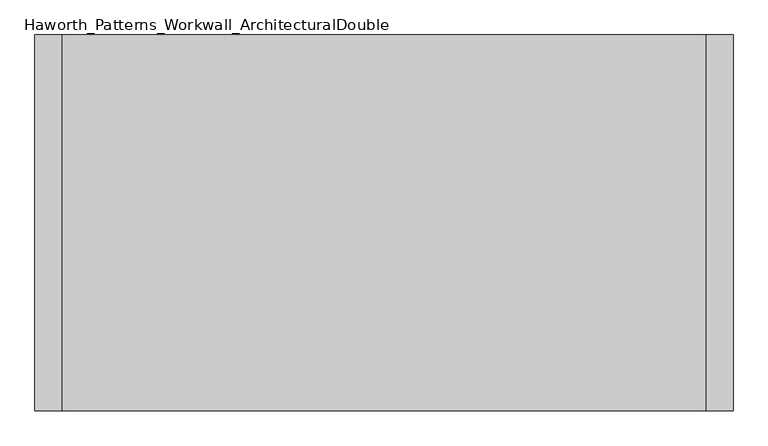
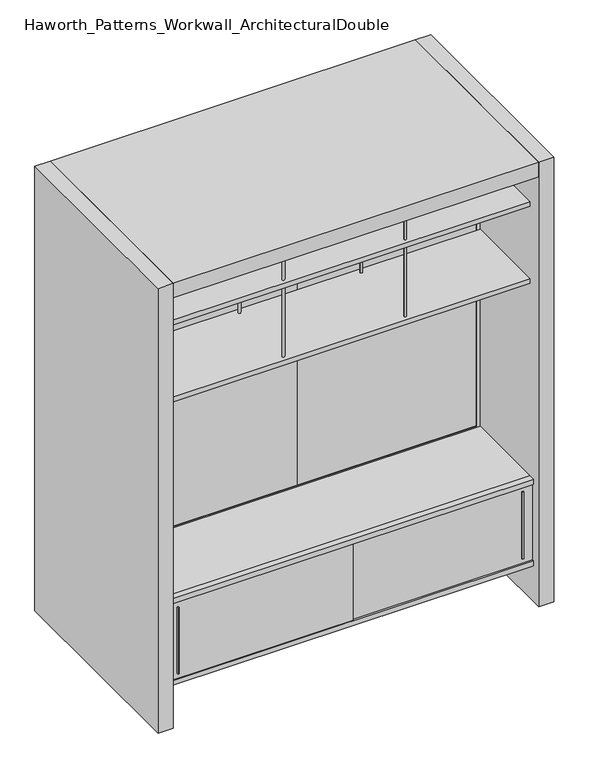
"""IFC4 building model written with IfcOpenShell, lengths in millimetres: furniture geometry, Haworth_Patterns_Workwall_ArchitecturalDouble."""

from ifc_helpers import new_model, si_unit, point, frame, frame_2d, origin, origin_with_axes, place, context, project, spatial, polyline, circle_curve, trimmed, segment, composite_curve, outline, extrude, source, transform, mapped, element, save


def haworth_patterns_workwall_architecturaldouble_77ef0d55(model_context):
    return source(origin(), model_context, "Body", "SweptSolid", [
        extrude(outline(polyline([(-609.6, 333.375), (-1524.0, 333.375), (-1524.0, 352.425), (-609.6, 352.425), (-609.6, 333.375)])), frame((0.0, 0.0, 635.0), z_axis=(0.0, 0.0, 1.0), x_axis=(1.0, 0.0, 0.0)), (0.0, 0.0, 1.0), 1638.3),
        extrude(outline(polyline([(304.8, 333.375), (-609.6, 333.375), (-609.6, 352.425), (304.8, 352.425), (304.8, 333.375)])), frame((0.0, 0.0, 635.0), z_axis=(0.0, 0.0, 1.0), x_axis=(1.0, 0.0, 0.0)), (0.0, 0.0, 1.0), 1638.3),
        extrude(outline(composite_curve([segment(trimmed(circle_curve(frame_2d((-304.8, -76.2)), 6.35), [point((-311.15, -76.2))], [point((-298.45, -76.2))], False, "CARTESIAN"), True, "CONTINUOUS"), segment(trimmed(circle_curve(frame_2d((-304.8, -76.2)), 6.35), [point((-298.45, -76.2))], [point((-311.15, -76.2))], False, "CARTESIAN"), True, "CONTINUOUS")], self_intersect=False)), frame((0.0, 0.0, 1689.1), z_axis=(0.0, 0.0, 1.0), x_axis=(1.0, 0.0, 0.0)), (0.0, 0.0, 1.0), 381.0),
        extrude(outline(composite_curve([segment(trimmed(circle_curve(frame_2d((-304.8, 304.8)), 6.35), [point((-311.15, 304.8))], [point((-298.45, 304.8))], False, "CARTESIAN"), True, "CONTINUOUS"), segment(trimmed(circle_curve(frame_2d((-304.8, 304.8)), 6.35), [point((-298.45, 304.8))], [point((-311.15, 304.8))], False, "CARTESIAN"), True, "CONTINUOUS")], self_intersect=False)), frame((0.0, 0.0, 1689.1), z_axis=(0.0, 0.0, 1.0), x_axis=(1.0, 0.0, 0.0)), (0.0, 0.0, 1.0), 381.0),
        extrude(outline(composite_curve([segment(trimmed(circle_curve(frame_2d((-914.4, -76.2)), 6.35), [point((-920.75, -76.2))], [point((-908.05, -76.2))], False, "CARTESIAN"), True, "CONTINUOUS"), segment(trimmed(circle_curve(frame_2d((-914.4, -76.2)), 6.35), [point((-908.05, -76.2))], [point((-920.75, -76.2))], False, "CARTESIAN"), True, "CONTINUOUS")], self_intersect=False)), frame((0.0, 0.0, 1689.1), z_axis=(0.0, 0.0, 1.0), x_axis=(1.0, 0.0, 0.0)), (0.0, 0.0, 1.0), 381.0),
        extrude(outline(composite_curve([segment(trimmed(circle_curve(frame_2d((-914.4, 304.8)), 6.35), [point((-920.75, 304.8))], [point((-908.05, 304.8))], False, "CARTESIAN"), True, "CONTINUOUS"), segment(trimmed(circle_curve(frame_2d((-914.4, 304.8)), 6.35), [point((-908.05, 304.8))], [point((-920.75, 304.8))], False, "CARTESIAN"), True, "CONTINUOUS")], self_intersect=False)), frame((0.0, 0.0, 1689.1), z_axis=(0.0, 0.0, 1.0), x_axis=(1.0, 0.0, 0.0)), (0.0, 0.0, 1.0), 381.0),
        extrude(outline(polyline([(304.8, 330.2), (304.8, -101.6), (-1524.0, -101.6), (-1524.0, 330.2), (304.8, 330.2)])), frame((0.0, 0.0, 1663.7), z_axis=(0.0, 0.0, 1.0), x_axis=(1.0, 0.0, 0.0)), (0.0, 0.0, 1.0), 25.4),
        extrude(outline(polyline([(257.1750004, -130.1749879), (250.8249996, -130.1749879), (249.2375011, -117.475), (258.7624989, -117.475), (257.1750004, -130.1749879)])), frame((0.0, 0.0, 242.8875), z_axis=(0.0, 0.0, 1.0), x_axis=(1.0, 0.0, 0.0)), (0.0, 0.0, 1.0), 352.425),
        extrude(outline(polyline([(-1470.0249996, -136.5249879), (-1476.3750004, -136.5249879), (-1477.9624989, -123.825), (-1468.4375011, -123.825), (-1470.0249996, -136.5249879)])), frame((0.0, 0.0, 242.8875), z_axis=(0.0, 0.0, 1.0), x_axis=(1.0, 0.0, 0.0)), (0.0, 0.0, 1.0), 352.425),
        extrude(outline(polyline([(304.8, -101.6), (304.8, -133.35), (-1524.0, -133.35), (-1524.0, -101.6), (304.8, -101.6)])), frame((0.0, 0.0, 190.5), z_axis=(0.0, 0.0, 1.0), x_axis=(1.0, 0.0, 0.0)), (0.0, 0.0, 1.0), 25.4),
        extrude(outline(polyline([(304.8, -101.6), (304.8, -133.35), (-1524.0, -133.35), (-1524.0, -101.6), (304.8, -101.6)])), frame((0.0, 0.0, 622.3), z_axis=(0.0, 0.0, 1.0), x_axis=(1.0, 0.0, 0.0)), (0.0, 0.0, 1.0), 25.4),
        extrude(outline(polyline([(-1524.0, -123.825), (-596.9, -123.825), (-596.9, -130.175), (-1524.0, -130.175), (-1524.0, -123.825)])), frame((0.0, 0.0, 215.9), z_axis=(0.0, 0.0, 1.0), x_axis=(1.0, 0.0, 0.0)), (0.0, 0.0, 1.0), 406.4),
        extrude(outline(polyline([(-622.3, -117.475), (304.8, -117.475), (304.8, -123.825), (-622.3, -123.825), (-622.3, -117.475)])), frame((0.0, 0.0, 215.9), z_axis=(0.0, 0.0, 1.0), x_axis=(1.0, 0.0, 0.0)), (0.0, 0.0, 1.0), 406.4),
        extrude(outline(polyline([(-295.275, -101.6), (-314.325, -101.6), (-314.325, 330.2), (-295.275, 330.2), (-295.275, -101.6)])), frame((0.0, 0.0, 215.9), z_axis=(0.0, 0.0, 1.0), x_axis=(1.0, 0.0, 0.0)), (0.0, 0.0, 1.0), 406.4),
        extrude(outline(polyline([(-904.875, -101.6), (-923.925, -101.6), (-923.925, 330.2), (-904.875, 330.2), (-904.875, -101.6)])), frame((0.0, 0.0, 215.9), z_axis=(0.0, 0.0, 1.0), x_axis=(1.0, 0.0, 0.0)), (0.0, 0.0, 1.0), 406.4),
        extrude(outline(polyline([(304.8, 330.2), (304.8, -101.6), (-1524.0, -101.6), (-1524.0, 330.2), (304.8, 330.2)])), frame((0.0, 0.0, 622.3), z_axis=(0.0, 0.0, 1.0), x_axis=(1.0, 0.0, 0.0)), (0.0, 0.0, 1.0), 25.4),
        extrude(outline(polyline([(-101.6, 215.9), (330.2, 215.9), (330.2, 190.5), (123.825, 190.5), (123.825, 0.0), (104.775, 0.0), (104.775, 190.5), (-101.6, 190.5), (-101.6, 215.9)])), frame((-1524.0, 0.0, 0.0), z_axis=(1.0, 0.0, 0.0), x_axis=(0.0, 1.0, 0.0)), (0.0, 0.0, 1.0), 1828.8),
        extrude(outline(composite_curve([segment(trimmed(circle_curve(frame_2d((-304.8, -76.2)), 6.35), [point((-311.15, -76.2))], [point((-298.45, -76.2))], False, "CARTESIAN"), True, "CONTINUOUS"), segment(trimmed(circle_curve(frame_2d((-304.8, -76.2)), 6.35), [point((-298.45, -76.2))], [point((-311.15, -76.2))], False, "CARTESIAN"), True, "CONTINUOUS")], self_intersect=False)), frame((0.0, 0.0, 2095.5), z_axis=(0.0, 0.0, 1.0), x_axis=(1.0, 0.0, 0.0)), (0.0, 0.0, 1.0), 177.8),
        extrude(outline(composite_curve([segment(trimmed(circle_curve(frame_2d((-304.8, 304.8)), 6.35), [point((-311.15, 304.8))], [point((-298.45, 304.8))], False, "CARTESIAN"), True, "CONTINUOUS"), segment(trimmed(circle_curve(frame_2d((-304.8, 304.8)), 6.35), [point((-298.45, 304.8))], [point((-311.15, 304.8))], False, "CARTESIAN"), True, "CONTINUOUS")], self_intersect=False)), frame((0.0, 0.0, 2095.5), z_axis=(0.0, 0.0, 1.0), x_axis=(1.0, 0.0, 0.0)), (0.0, 0.0, 1.0), 177.8),
        extrude(outline(composite_curve([segment(trimmed(circle_curve(frame_2d((-914.4, -76.2)), 6.35), [point((-920.75, -76.2))], [point((-908.05, -76.2))], False, "CARTESIAN"), True, "CONTINUOUS"), segment(trimmed(circle_curve(frame_2d((-914.4, -76.2)), 6.35), [point((-908.05, -76.2))], [point((-920.75, -76.2))], False, "CARTESIAN"), True, "CONTINUOUS")], self_intersect=False)), frame((0.0, 0.0, 2095.5), z_axis=(0.0, 0.0, 1.0), x_axis=(1.0, 0.0, 0.0)), (0.0, 0.0, 1.0), 177.8),
        extrude(outline(composite_curve([segment(trimmed(circle_curve(frame_2d((-914.4, 304.8)), 6.35), [point((-920.75, 304.8))], [point((-908.05, 304.8))], False, "CARTESIAN"), True, "CONTINUOUS"), segment(trimmed(circle_curve(frame_2d((-914.4, 304.8)), 6.35), [point((-908.05, 304.8))], [point((-920.75, 304.8))], False, "CARTESIAN"), True, "CONTINUOUS")], self_intersect=False)), frame((0.0, 0.0, 2095.5), z_axis=(0.0, 0.0, 1.0), x_axis=(1.0, 0.0, 0.0)), (0.0, 0.0, 1.0), 177.8),
        extrude(outline(polyline([(304.8, 330.2), (304.8, -101.6), (-1524.0, -101.6), (-1524.0, 330.2), (304.8, 330.2)])), frame((0.0, 0.0, 2070.1), z_axis=(0.0, 0.0, 1.0), x_axis=(1.0, 0.0, 0.0)), (0.0, 0.0, 1.0), 25.4),
        extrude(outline(polyline([(-1524.0, 889.0), (-1524.0, -177.8), (-1600.2, -177.8), (-1600.2, 889.0), (-1524.0, 889.0)])), origin_with_axes(), (0.0, 0.0, 1.0), 2349.5),
        extrude(outline(polyline([(381.0, -177.8), (304.8, -177.8), (304.8, 889.0), (381.0, 889.0), (381.0, -177.8)])), origin_with_axes(), (0.0, 0.0, 1.0), 2349.5),
        extrude(outline(polyline([(2273.3, 304.8), (2273.3, -1524.0), (635.0, -1524.0), (635.0, 304.8), (2273.3, 304.8)]), holes=[polyline([(2254.25, 285.75), (654.05, 285.75), (654.05, -1504.95), (2254.25, -1504.95), (2254.25, 285.75)])]), frame((0.0, 330.2, 0.0), z_axis=(0.0, 1.0, 0.0), x_axis=(0.0, 0.0, 1.0)), (0.0, 0.0, 1.0), 25.4),
        extrude(outline(polyline([(285.75, 330.2), (-1504.95, 330.2), (-1504.95, 355.6), (285.75, 355.6), (285.75, 330.2)])), frame((0.0, 0.0, 114.3), z_axis=(0.0, 0.0, 1.0), x_axis=(1.0, 0.0, 0.0)), (0.0, 0.0, 1.0), 495.3),
        extrude(outline(polyline([(635.0, 304.8), (635.0, -1524.0), (0.0, -1524.0), (0.0, 304.8), (635.0, 304.8)]), holes=[polyline([(609.6, 285.75), (114.3, 285.75), (114.3, -1504.95), (609.6, -1504.95), (609.6, 285.75)])]), frame((0.0, 330.2, 0.0), z_axis=(0.0, 1.0, 0.0), x_axis=(0.0, 0.0, 1.0)), (0.0, 0.0, 1.0), 25.4),
        extrude(outline(polyline([(304.8, -177.8), (-1524.0, -177.8), (-1524.0, 889.0), (304.8, 889.0), (304.8, -177.8)])), frame((0.0, 0.0, 2273.3), z_axis=(0.0, 0.0, 1.0), x_axis=(1.0, 0.0, 0.0)), (0.0, 0.0, 1.0), 76.2),
    ])


if __name__ == "__main__":
    model = new_model("IFC4")
    model_context = context("Model", 3, world=origin())
    ifc_project = project(units=[si_unit("LENGTHUNIT", "METRE", prefix="MILLI")], contexts=[model_context])
    site = spatial("IfcSite", under=ifc_project)
    building = spatial("IfcBuilding", under=site)
    placement = place(None, origin())
    haworth_patterns_workwall_architecturaldouble_shape = haworth_patterns_workwall_architecturaldouble_77ef0d55(model_context)
    element("IfcFurniture", 1, ObjectType="Haworth_Patterns_Workwall_ArchitecturalDouble", at=placement, inside=building, context=model_context, shape_type="MappedRepresentation", body=[
        mapped(haworth_patterns_workwall_architecturaldouble_shape, transform((0.0, 0.0, 0.0), x_axis=(1.0, 0.0, 0.0), y_axis=(0.0, 1.0, 0.0), z_axis=(0.0, 0.0, 1.0))),
    ])
    save(model, "model.ifc")
